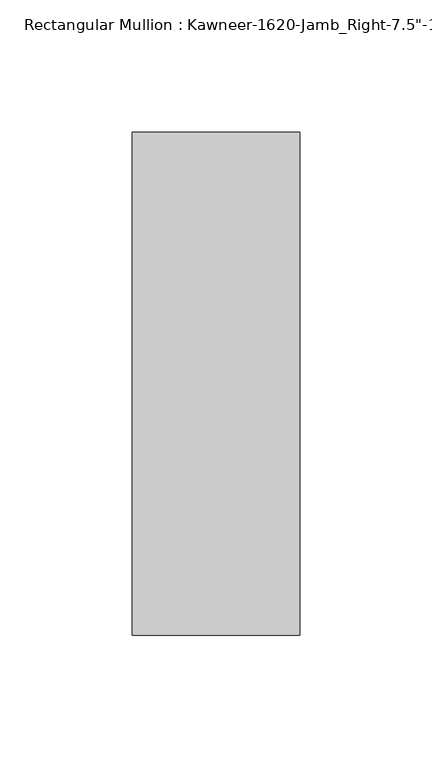
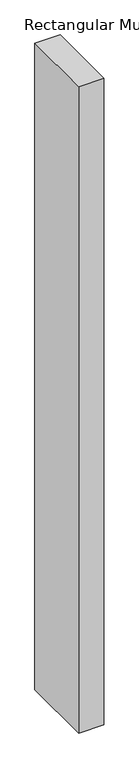
"""IFC4 building model written with IfcOpenShell, lengths in millimetres: member geometry."""

import ifcopenshell
import ifcopenshell.guid

model = None  # the IFC model being written
_history = None  # IfcOwnerHistory: only IFC2X3 demands one
_inside = {}  # id of a spatial element -> (the spatial element, [elements in it])
_under = {}  # id of a project, library or spatial element -> (it, [spatial elements below it])
_declared = {}  # id of a project -> (the project, [libraries it declares])
_typed = {}  # id of a type object -> (the type object, [elements of that type])
_made_of = {}  # id of a material, layer set ... -> (it, [elements and type objects made of it])


def new_model(schema):
    """Start an empty IFC model of exactly this schema.

    Asked for "IFC4X3", IfcOpenShell would pick the latest addendum, in which some entities
    have other attributes; the version numbers below select the first issue.
    IFC2X3 requires an IfcOwnerHistory on every rooted entity: one is made here for all.
    """
    global model, _history
    if schema == "IFC4X3":
        model = ifcopenshell.file(schema_version=(4, 3, 0, 0))
    else:
        model = ifcopenshell.file(schema=schema)
    _inside.clear()
    _under.clear()
    _declared.clear()
    _typed.clear()
    _made_of.clear()
    _history = None
    if model.schema == "IFC2X3":
        org = make("IfcOrganization", Name="unknown")
        user = make(
            "IfcPersonAndOrganization",
            ThePerson=make("IfcPerson", FamilyName="unknown"),
            TheOrganization=org,
        )
        app = make(
            "IfcApplication",
            ApplicationDeveloper=org,
            Version="unknown",
            ApplicationFullName="unknown",
            ApplicationIdentifier="unknown",
        )
        _history = make(
            "IfcOwnerHistory",
            OwningUser=user,
            OwningApplication=app,
            ChangeAction="ADDED",
            CreationDate=0,
        )
    return model


def make(cls, **values):
    """One entity of the class cls with the attributes given. An attribute that is None is left unset."""
    return model.create_entity(
        cls, **{name: value for name, value in values.items() if value is not None}
    )


def rooted(cls, **values):
    """An entity with a GlobalId (a new one), such as an element, a storey or a relation."""
    return make(cls, GlobalId=ifcopenshell.guid.new(), OwnerHistory=_history, **values)


def si_unit(unit_type, name, prefix=None):
    """IfcSIUnit, for example si_unit("LENGTHUNIT", "METRE", prefix="MILLI")."""
    return make("IfcSIUnit", UnitType=unit_type, Prefix=prefix, Name=name)


def assignment(units):
    """IfcUnitAssignment: the units of a project."""
    return None if units is None else make("IfcUnitAssignment", Units=units)


def point(xyz):
    """IfcCartesianPoint."""
    return None if xyz is None else make("IfcCartesianPoint", Coordinates=xyz)


def direction(xyz):
    """IfcDirection."""
    return None if xyz is None else make("IfcDirection", DirectionRatios=xyz)


def frame(location, z_axis=None, x_axis=None):
    """IfcAxis2Placement3D, a coordinate frame: its origin and axes. An axis left out is left unset."""
    return make(
        "IfcAxis2Placement3D",
        Location=point(location),
        Axis=direction(z_axis),
        RefDirection=direction(x_axis),
    )


def origin():
    """The frame at (0, 0, 0) with its axes left unset."""
    return frame((0.0, 0.0, 0.0))


def place(relative_to, where):
    """IfcLocalPlacement: puts the frame where relative to a parent placement (None: the world)."""
    return make(
        "IfcLocalPlacement", PlacementRelTo=relative_to, RelativePlacement=where
    )


def context(
    kind, dimensions, precision=None, world=None, true_north=None, identifier=None
):
    """IfcGeometricRepresentationContext, for example the 3D "Model" context."""
    return make(
        "IfcGeometricRepresentationContext",
        ContextIdentifier=identifier,
        ContextType=kind,
        CoordinateSpaceDimension=dimensions,
        Precision=precision,
        WorldCoordinateSystem=world,
        TrueNorth=true_north,
    )


def project(units=None, contexts=None):
    """IfcProject with its units and contexts."""
    return rooted(
        "IfcProject",
        Name="project",
        RepresentationContexts=contexts,
        UnitsInContext=assignment(units),
    )


def spatial(cls, under=None, at=None, **own):
    """A site, building, storey or space (cls), placed at a placement, below another one or the project."""
    s = rooted(cls, ObjectPlacement=at, **own)
    if under is not None:
        _under.setdefault(under.id(), (under, []))[1].append(s)
    return s


def polyline(points):
    """IfcPolyline through the points."""
    return make("IfcPolyline", Points=[point(p) for p in points])


def outline(outer, holes=None, kind="AREA"):
    """IfcArbitraryClosedProfileDef: a profile drawn as a closed curve; with holes, ...WithVoids."""
    if holes is None:
        return make("IfcArbitraryClosedProfileDef", ProfileType=kind, OuterCurve=outer)
    return make(
        "IfcArbitraryProfileDefWithVoids",
        ProfileType=kind,
        OuterCurve=outer,
        InnerCurves=holes,
    )


def extrude(swept, where, along, depth):
    """IfcExtrudedAreaSolid: the profile swept, set in the frame where, extruded along a direction by depth."""
    return make(
        "IfcExtrudedAreaSolid",
        SweptArea=swept,
        Position=where,
        ExtrudedDirection=direction(along),
        Depth=depth,
    )


def shape(context_of_items, identifier, shape_type, items):
    """IfcShapeRepresentation: the items that make up one representation, for example the "Body"."""
    return make(
        "IfcShapeRepresentation",
        ContextOfItems=context_of_items,
        RepresentationIdentifier=identifier,
        RepresentationType=shape_type,
        Items=items,
    )


def source(mapping_origin, context_of_items, identifier, shape_type, items):
    """IfcRepresentationMap: a shape defined once, which mapped items show again and again."""
    return make(
        "IfcRepresentationMap",
        MappingOrigin=mapping_origin,
        MappedRepresentation=shape(context_of_items, identifier, shape_type, items),
    )


def transform(
    local_origin,
    x_axis=None,
    y_axis=None,
    z_axis=None,
    scale=None,
    scale2=None,
    scale3=None,
    uniform=True,
):
    """IfcCartesianTransformationOperator3D, or its non-uniform kind. x_axis, y_axis, z_axis: its Axis1, 2, 3."""
    if uniform:
        return make(
            "IfcCartesianTransformationOperator3D",
            Axis1=direction(x_axis),
            Axis2=direction(y_axis),
            LocalOrigin=point(local_origin),
            Scale=scale,
            Axis3=direction(z_axis),
        )
    return make(
        "IfcCartesianTransformationOperator3DnonUniform",
        Axis1=direction(x_axis),
        Axis2=direction(y_axis),
        LocalOrigin=point(local_origin),
        Scale=scale,
        Axis3=direction(z_axis),
        Scale2=scale2,
        Scale3=scale3,
    )


def mapped(mapping_source, mapping_target):
    """IfcMappedItem: shows the shape of a source again, moved by a transform."""
    return make(
        "IfcMappedItem", MappingSource=mapping_source, MappingTarget=mapping_target
    )


def made_of(thing, what):
    """Note that an element or type object is made of a material, layer set ...; save() writes the relation."""
    if what is not None:
        _made_of.setdefault(what.id(), (what, []))[1].append(thing)
    return thing


def element(
    cls,
    number,
    at=None,
    inside=None,
    cuts=None,
    type_object=None,
    material=None,
    context=None,
    identifier="Body",
    shape_type=None,
    held_by="IfcProductDefinitionShape",
    body=None,
    shapes=None,
    **own,
):
    """One element of the class cls, such as IfcWall. Its Tag is "e" and its number.

    at: its placement. inside: the storey or other place that contains it. cuts: it is an
    opening in that element (IfcRelVoidsElement). A single representation is given by context,
    identifier, shape_type and body (its items); several are given by shapes. held_by: the class
    of the entity that holds the representations. save() writes the other relations.
    """
    e = rooted(cls, Tag="e%d" % number, ObjectPlacement=at, **own)
    if body is not None:
        shapes = [shape(context, identifier, shape_type, body)]
    if shapes is not None:
        e.Representation = make(held_by, Representations=shapes)
    if inside is not None:
        _inside.setdefault(inside.id(), (inside, []))[1].append(e)
    if cuts is not None:
        rooted(
            "IfcRelVoidsElement", RelatingBuildingElement=cuts, RelatedOpeningElement=e
        )
    if type_object is not None:
        _typed.setdefault(type_object.id(), (type_object, []))[1].append(e)
    return made_of(e, material)


def aggregate(whole, parts):
    """IfcRelAggregates: a whole, such as a stair, and the parts it consists of."""
    return rooted("IfcRelAggregates", RelatingObject=whole, RelatedObjects=parts)


def save(model, path):
    """Write the relations noted so far, then the file.

    IfcRelAggregates (storeys below a building ...), IfcRelContainedInSpatialStructure (elements
    in a storey), IfcRelDefinesByType, IfcRelAssociatesMaterial and IfcRelDeclares: one each for
    every whole, place, type object, material and project.
    """
    for whole, parts in _under.values():
        aggregate(whole, parts)
    for where, things in _inside.values():
        rooted(
            "IfcRelContainedInSpatialStructure",
            RelatedElements=things,
            RelatingStructure=where,
        )
    for kind, things in _typed.values():
        rooted("IfcRelDefinesByType", RelatedObjects=things, RelatingType=kind)
    for what, things in _made_of.values():
        rooted("IfcRelAssociatesMaterial", RelatedObjects=things, RelatingMaterial=what)
    for by, libraries in _declared.values():
        rooted("IfcRelDeclares", RelatingContext=by, RelatedDefinitions=libraries)
    model.write(path)


def member_b9b035f4(model_context):
    return source(origin(), model_context, "Body", "SweptSolid", [
        extrude(outline(polyline([(-22.225, 28.575), (41.275, 28.575), (41.275, -161.925), (-22.225, -161.925), (-22.225, 28.575)])), frame((0.0, 0.0, -1720.85), z_axis=(0.0, 0.0, 1.0), x_axis=(1.0, 0.0, 0.0)), (0.0, 0.0, 1.0), 1720.85),
    ])


if __name__ == "__main__":
    model = new_model("IFC4")
    model_context = context("Model", 3, world=origin())
    ifc_project = project(units=[si_unit("LENGTHUNIT", "METRE", prefix="MILLI")], contexts=[model_context])
    site = spatial("IfcSite", under=ifc_project)
    building = spatial("IfcBuilding", under=site)
    placement = place(None, origin())
    member_shape = member_b9b035f4(model_context)
    element("IfcMember", 1, ObjectType="Rectangular Mullion : Kawneer-1620-Jamb_Right-7.5\"-1/4\"Infill", at=placement, inside=building, context=model_context, shape_type="MappedRepresentation", body=[
        mapped(member_shape, transform((0.0, 0.0, 0.0), x_axis=(1.0, 0.0, 0.0), y_axis=(0.0, 1.0, 0.0), z_axis=(0.0, 0.0, 1.0))),
    ])
    save(model, "model.ifc")
